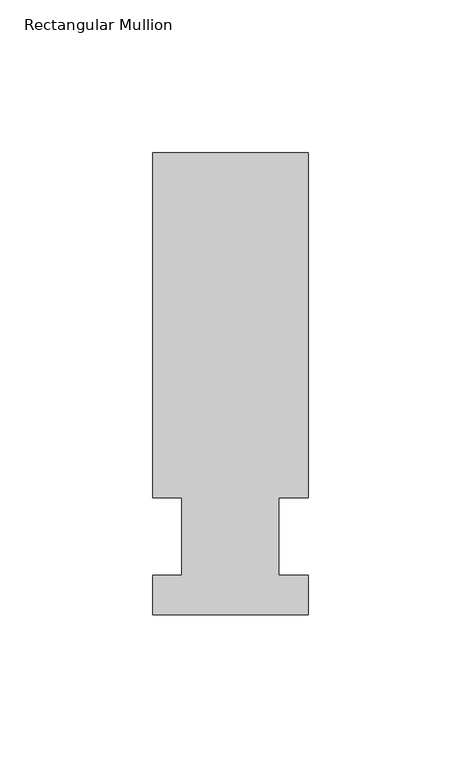
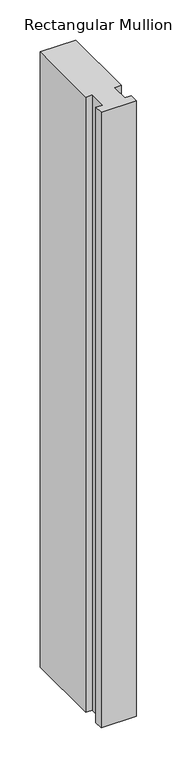
"""IFC4 building model written with IfcOpenShell, lengths in millimetres: member geometry, Rectangular Mullion."""

from ifc_helpers import new_model, si_unit, frame, origin, place, context, project, spatial, polyline, outline, extrude, source, transform, mapped, element, save


def rectangular_mullion_3e3c105f(model_context):
    return source(origin(), model_context, "Body", "SweptSolid", [
        extrude(outline(polyline([(-25.4, -25.58415), (-25.4, -12.7), (-15.875, -12.7), (-15.875, 12.7), (-25.4, 12.7), (-25.4, 125.59665), (25.4, 125.59665), (25.4, 12.7), (15.875, 12.7), (15.875, -12.7), (25.4, -12.7), (25.4, -25.58415), (-25.4, -25.58415)])), frame((0.0, 0.0, -933.45), z_axis=(0.0, 0.0, 1.0), x_axis=(1.0, 0.0, 0.0)), (0.0, 0.0, 1.0), 933.45),
    ])


if __name__ == "__main__":
    model = new_model("IFC4")
    model_context = context("Model", 3, world=origin())
    ifc_project = project(units=[si_unit("LENGTHUNIT", "METRE", prefix="MILLI")], contexts=[model_context])
    site = spatial("IfcSite", under=ifc_project)
    building = spatial("IfcBuilding", under=site)
    placement = place(None, origin())
    rectangular_mullion_shape = rectangular_mullion_3e3c105f(model_context)
    element("IfcMember", 1, ObjectType="Rectangular Mullion", at=placement, inside=building, context=model_context, shape_type="MappedRepresentation", body=[
        mapped(rectangular_mullion_shape, transform((0.0, 0.0, 0.0), x_axis=(1.0, 0.0, 0.0), y_axis=(0.0, 1.0, 0.0), z_axis=(0.0, 0.0, 1.0))),
    ])
    save(model, "model.ifc")
